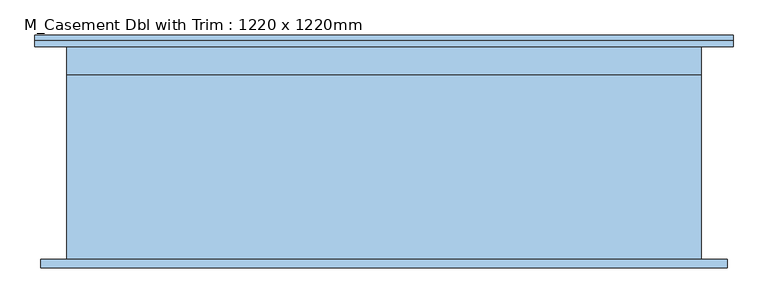
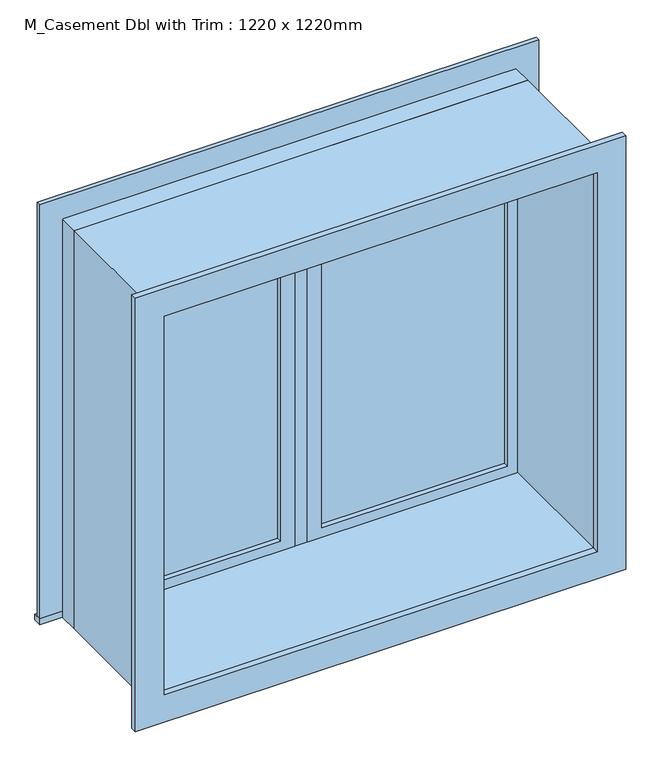
"""IFC4 building model written with IfcOpenShell, lengths in millimetres: window geometry, M_Casement Dbl with Trim : 1220 x 1220mm."""

from ifc_helpers import new_model, si_unit, frame, origin, place, context, project, spatial, polyline, outline, extrude, source, transform, mapped, element, save


def m_casement_dbl_with_trim_1220_x_1220mm_9dea78b8(model_context):
    return source(origin(), model_context, "Body", "SweptSolid", [
        extrude(outline(polyline([(63.5, 219.175), (636.5, 219.175), (636.5, 206.475), (63.5, 206.475), (63.5, 219.175)])), frame((0.0, 0.0, 978.5), z_axis=(0.0, 0.0, 1.0), x_axis=(1.0, 0.0, 0.0)), (0.0, 0.0, 1.0), 1173.0),
        extrude(outline(polyline([(2195.95, 19.05), (934.05, 19.05), (934.05, 680.95), (2195.95, 680.95), (2195.95, 19.05)]), holes=[polyline([(2151.5, 63.5), (2151.5, 636.5), (978.5, 636.5), (978.5, 63.5), (2151.5, 63.5)])]), frame((0.0, 190.6, 0.0), z_axis=(0.0, 1.0, 0.0), x_axis=(0.0, 0.0, 1.0)), (0.0, 0.0, 1.0), 44.45),
        extrude(outline(polyline([(-769.95, 279.75), (769.95, 279.75), (769.95, 254.05), (-769.95, 254.05), (-769.95, 279.75)])), frame((0.0, 0.0, 915.0), z_axis=(0.0, 0.0, 1.0), x_axis=(1.0, 0.0, 0.0)), (0.0, 0.0, 1.0), 19.05),
        extrude(outline(polyline([(2195.95, -680.95), (2195.95, 680.95), (934.05, 680.95), (934.05, 769.95), (2284.95, 769.95), (2284.95, -769.95), (934.05, -769.95), (934.05, -680.95), (2195.95, -680.95)])), frame((0.0, 254.05, 0.0), z_axis=(0.0, 1.0, 0.0), x_axis=(0.0, 0.0, 1.0)), (0.0, 0.0, 1.0), 13.0),
        extrude(outline(polyline([(2272.25, 757.25), (2272.25, -757.25), (857.75, -757.25), (857.75, 757.25), (2272.25, 757.25)]), holes=[polyline([(2183.25, 668.25), (946.75, 668.25), (946.75, -668.25), (2183.25, -668.25), (2183.25, 668.25)])]), frame((0.0, -234.95, 0.0), z_axis=(0.0, 1.0, 0.0), x_axis=(0.0, 0.0, 1.0)), (0.0, 0.0, 1.0), 19.0),
        extrude(outline(polyline([(-63.5, 206.475), (-636.5, 206.475), (-636.5, 219.175), (-63.5, 219.175), (-63.5, 206.475)])), frame((0.0, 0.0, 978.5), z_axis=(0.0, 0.0, 1.0), x_axis=(1.0, 0.0, 0.0)), (0.0, 0.0, 1.0), 1173.0),
        extrude(outline(polyline([(2195.95, -680.95), (934.05, -680.95), (934.05, -19.05), (2195.95, -19.05), (2195.95, -680.95)]), holes=[polyline([(2151.5, -636.5), (2151.5, -63.5), (978.5, -63.5), (978.5, -636.5), (2151.5, -636.5)])]), frame((0.0, 190.6, 0.0), z_axis=(0.0, 1.0, 0.0), x_axis=(0.0, 0.0, 1.0)), (0.0, 0.0, 1.0), 44.45),
        extrude(outline(polyline([(2215.0, -700.0), (915.0, -700.0), (915.0, 700.0), (2215.0, 700.0), (2215.0, -700.0)]), holes=[polyline([(2183.25, -668.25), (2183.25, 668.25), (946.75, 668.25), (946.75, -668.25), (2183.25, -668.25)])]), frame((0.0, -215.95, 0.0), z_axis=(0.0, 1.0, 0.0), x_axis=(0.0, 0.0, 1.0)), (0.0, 0.0, 1.0), 406.55),
        extrude(outline(polyline([(2215.0, 700.0), (2215.0, -700.0), (915.0, -700.0), (915.0, 700.0), (2215.0, 700.0)]), holes=[polyline([(2195.95, 680.95), (934.05, 680.95), (934.05, -680.95), (2195.95, -680.95), (2195.95, 680.95)])]), frame((0.0, 190.6, 0.0), z_axis=(0.0, 1.0, 0.0), x_axis=(0.0, 0.0, 1.0)), (0.0, 0.0, 1.0), 63.45),
        extrude(outline(polyline([(19.05, 190.6), (-19.05, 190.6), (-19.05, 254.1), (19.05, 254.1), (19.05, 190.6)])), frame((0.0, 0.0, 934.05), z_axis=(0.0, 0.0, 1.0), x_axis=(1.0, 0.0, 0.0)), (0.0, 0.0, 1.0), 1261.9),
    ])


if __name__ == "__main__":
    model = new_model("IFC4")
    model_context = context("Model", 3, world=origin())
    ifc_project = project(units=[si_unit("LENGTHUNIT", "METRE", prefix="MILLI")], contexts=[model_context])
    site = spatial("IfcSite", under=ifc_project)
    building = spatial("IfcBuilding", under=site)
    placement = place(None, origin())
    m_casement_dbl_with_trim_1220_x_1220mm_shape = m_casement_dbl_with_trim_1220_x_1220mm_9dea78b8(model_context)
    element("IfcWindow", 1, ObjectType="M_Casement Dbl with Trim : 1220 x 1220mm", at=placement, inside=building, context=model_context, shape_type="MappedRepresentation", body=[
        mapped(m_casement_dbl_with_trim_1220_x_1220mm_shape, transform((0.0, 0.0, 0.0), x_axis=(1.0, 0.0, 0.0), y_axis=(0.0, 1.0, 0.0), z_axis=(0.0, 0.0, 1.0))),
    ])
    save(model, "model.ifc")
